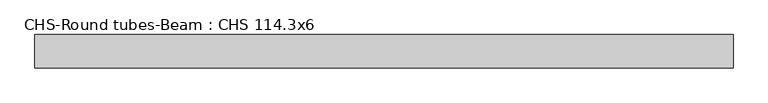
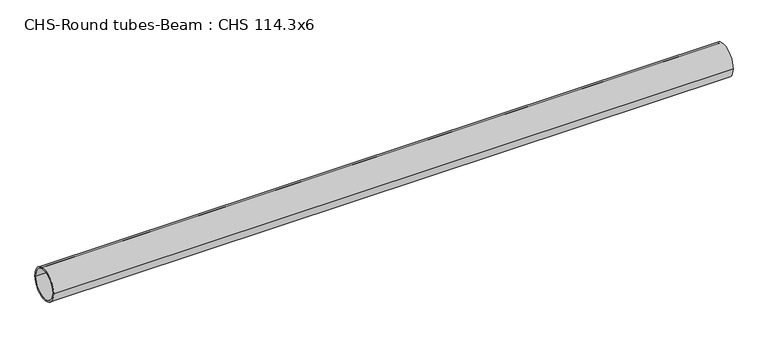
"""IFC4 building model written with IfcOpenShell, lengths in millimetres: beam geometry, CHS-Round tubes-Beam : CHS 114.3x6."""

import ifcopenshell
import ifcopenshell.guid

model = None  # the IFC model being written
_history = None  # IfcOwnerHistory: only IFC2X3 demands one
_inside = {}  # id of a spatial element -> (the spatial element, [elements in it])
_under = {}  # id of a project, library or spatial element -> (it, [spatial elements below it])
_declared = {}  # id of a project -> (the project, [libraries it declares])
_typed = {}  # id of a type object -> (the type object, [elements of that type])
_made_of = {}  # id of a material, layer set ... -> (it, [elements and type objects made of it])


def new_model(schema):
    """Start an empty IFC model of exactly this schema.

    Asked for "IFC4X3", IfcOpenShell would pick the latest addendum, in which some entities
    have other attributes; the version numbers below select the first issue.
    IFC2X3 requires an IfcOwnerHistory on every rooted entity: one is made here for all.
    """
    global model, _history
    if schema == "IFC4X3":
        model = ifcopenshell.file(schema_version=(4, 3, 0, 0))
    else:
        model = ifcopenshell.file(schema=schema)
    _inside.clear()
    _under.clear()
    _declared.clear()
    _typed.clear()
    _made_of.clear()
    _history = None
    if model.schema == "IFC2X3":
        org = make("IfcOrganization", Name="unknown")
        user = make(
            "IfcPersonAndOrganization",
            ThePerson=make("IfcPerson", FamilyName="unknown"),
            TheOrganization=org,
        )
        app = make(
            "IfcApplication",
            ApplicationDeveloper=org,
            Version="unknown",
            ApplicationFullName="unknown",
            ApplicationIdentifier="unknown",
        )
        _history = make(
            "IfcOwnerHistory",
            OwningUser=user,
            OwningApplication=app,
            ChangeAction="ADDED",
            CreationDate=0,
        )
    return model


def make(cls, **values):
    """One entity of the class cls with the attributes given. An attribute that is None is left unset."""
    return model.create_entity(
        cls, **{name: value for name, value in values.items() if value is not None}
    )


def rooted(cls, **values):
    """An entity with a GlobalId (a new one), such as an element, a storey or a relation."""
    return make(cls, GlobalId=ifcopenshell.guid.new(), OwnerHistory=_history, **values)


def si_unit(unit_type, name, prefix=None):
    """IfcSIUnit, for example si_unit("LENGTHUNIT", "METRE", prefix="MILLI")."""
    return make("IfcSIUnit", UnitType=unit_type, Prefix=prefix, Name=name)


def assignment(units):
    """IfcUnitAssignment: the units of a project."""
    return None if units is None else make("IfcUnitAssignment", Units=units)


def point(xyz):
    """IfcCartesianPoint."""
    return None if xyz is None else make("IfcCartesianPoint", Coordinates=xyz)


def direction(xyz):
    """IfcDirection."""
    return None if xyz is None else make("IfcDirection", DirectionRatios=xyz)


def frame(location, z_axis=None, x_axis=None):
    """IfcAxis2Placement3D, a coordinate frame: its origin and axes. An axis left out is left unset."""
    return make(
        "IfcAxis2Placement3D",
        Location=point(location),
        Axis=direction(z_axis),
        RefDirection=direction(x_axis),
    )


def frame_2d(location, x_axis=None):
    """IfcAxis2Placement2D, a coordinate frame in the plane: its origin and x axis."""
    return make(
        "IfcAxis2Placement2D", Location=point(location), RefDirection=direction(x_axis)
    )


def origin():
    """The frame at (0, 0, 0) with its axes left unset."""
    return frame((0.0, 0.0, 0.0))


def origin_2d():
    """The frame at (0, 0) in the plane with its x axis left unset."""
    return frame_2d((0.0, 0.0))


def place(relative_to, where):
    """IfcLocalPlacement: puts the frame where relative to a parent placement (None: the world)."""
    return make(
        "IfcLocalPlacement", PlacementRelTo=relative_to, RelativePlacement=where
    )


def context(
    kind, dimensions, precision=None, world=None, true_north=None, identifier=None
):
    """IfcGeometricRepresentationContext, for example the 3D "Model" context."""
    return make(
        "IfcGeometricRepresentationContext",
        ContextIdentifier=identifier,
        ContextType=kind,
        CoordinateSpaceDimension=dimensions,
        Precision=precision,
        WorldCoordinateSystem=world,
        TrueNorth=true_north,
    )


def project(units=None, contexts=None):
    """IfcProject with its units and contexts."""
    return rooted(
        "IfcProject",
        Name="project",
        RepresentationContexts=contexts,
        UnitsInContext=assignment(units),
    )


def spatial(cls, under=None, at=None, **own):
    """A site, building, storey or space (cls), placed at a placement, below another one or the project."""
    s = rooted(cls, ObjectPlacement=at, **own)
    if under is not None:
        _under.setdefault(under.id(), (under, []))[1].append(s)
    return s


def circle_curve(where, radius):
    """IfcCircle in the frame where."""
    return make("IfcCircle", Position=where, Radius=radius)


def trimmed(basis, trim1, trim2, sense, master):
    """IfcTrimmedCurve: the piece of a basis curve between two trims."""
    return make(
        "IfcTrimmedCurve",
        BasisCurve=basis,
        Trim1=trim1,
        Trim2=trim2,
        SenseAgreement=sense,
        MasterRepresentation=master,
    )


def segment(curve, same_sense, transition):
    """IfcCompositeCurveSegment."""
    return make(
        "IfcCompositeCurveSegment",
        Transition=transition,
        SameSense=same_sense,
        ParentCurve=curve,
    )


def composite_curve(segments, self_intersect=None):
    """IfcCompositeCurve: segments joined end to end."""
    return make("IfcCompositeCurve", Segments=segments, SelfIntersect=self_intersect)


def outline(outer, holes=None, kind="AREA"):
    """IfcArbitraryClosedProfileDef: a profile drawn as a closed curve; with holes, ...WithVoids."""
    if holes is None:
        return make("IfcArbitraryClosedProfileDef", ProfileType=kind, OuterCurve=outer)
    return make(
        "IfcArbitraryProfileDefWithVoids",
        ProfileType=kind,
        OuterCurve=outer,
        InnerCurves=holes,
    )


def extrude(swept, where, along, depth):
    """IfcExtrudedAreaSolid: the profile swept, set in the frame where, extruded along a direction by depth."""
    return make(
        "IfcExtrudedAreaSolid",
        SweptArea=swept,
        Position=where,
        ExtrudedDirection=direction(along),
        Depth=depth,
    )


def shape(context_of_items, identifier, shape_type, items):
    """IfcShapeRepresentation: the items that make up one representation, for example the "Body"."""
    return make(
        "IfcShapeRepresentation",
        ContextOfItems=context_of_items,
        RepresentationIdentifier=identifier,
        RepresentationType=shape_type,
        Items=items,
    )


def source(mapping_origin, context_of_items, identifier, shape_type, items):
    """IfcRepresentationMap: a shape defined once, which mapped items show again and again."""
    return make(
        "IfcRepresentationMap",
        MappingOrigin=mapping_origin,
        MappedRepresentation=shape(context_of_items, identifier, shape_type, items),
    )


def transform(
    local_origin,
    x_axis=None,
    y_axis=None,
    z_axis=None,
    scale=None,
    scale2=None,
    scale3=None,
    uniform=True,
):
    """IfcCartesianTransformationOperator3D, or its non-uniform kind. x_axis, y_axis, z_axis: its Axis1, 2, 3."""
    if uniform:
        return make(
            "IfcCartesianTransformationOperator3D",
            Axis1=direction(x_axis),
            Axis2=direction(y_axis),
            LocalOrigin=point(local_origin),
            Scale=scale,
            Axis3=direction(z_axis),
        )
    return make(
        "IfcCartesianTransformationOperator3DnonUniform",
        Axis1=direction(x_axis),
        Axis2=direction(y_axis),
        LocalOrigin=point(local_origin),
        Scale=scale,
        Axis3=direction(z_axis),
        Scale2=scale2,
        Scale3=scale3,
    )


def mapped(mapping_source, mapping_target):
    """IfcMappedItem: shows the shape of a source again, moved by a transform."""
    return make(
        "IfcMappedItem", MappingSource=mapping_source, MappingTarget=mapping_target
    )


def made_of(thing, what):
    """Note that an element or type object is made of a material, layer set ...; save() writes the relation."""
    if what is not None:
        _made_of.setdefault(what.id(), (what, []))[1].append(thing)
    return thing


def element(
    cls,
    number,
    at=None,
    inside=None,
    cuts=None,
    type_object=None,
    material=None,
    context=None,
    identifier="Body",
    shape_type=None,
    held_by="IfcProductDefinitionShape",
    body=None,
    shapes=None,
    **own,
):
    """One element of the class cls, such as IfcWall. Its Tag is "e" and its number.

    at: its placement. inside: the storey or other place that contains it. cuts: it is an
    opening in that element (IfcRelVoidsElement). A single representation is given by context,
    identifier, shape_type and body (its items); several are given by shapes. held_by: the class
    of the entity that holds the representations. save() writes the other relations.
    """
    e = rooted(cls, Tag="e%d" % number, ObjectPlacement=at, **own)
    if body is not None:
        shapes = [shape(context, identifier, shape_type, body)]
    if shapes is not None:
        e.Representation = make(held_by, Representations=shapes)
    if inside is not None:
        _inside.setdefault(inside.id(), (inside, []))[1].append(e)
    if cuts is not None:
        rooted(
            "IfcRelVoidsElement", RelatingBuildingElement=cuts, RelatedOpeningElement=e
        )
    if type_object is not None:
        _typed.setdefault(type_object.id(), (type_object, []))[1].append(e)
    return made_of(e, material)


def aggregate(whole, parts):
    """IfcRelAggregates: a whole, such as a stair, and the parts it consists of."""
    return rooted("IfcRelAggregates", RelatingObject=whole, RelatedObjects=parts)


def save(model, path):
    """Write the relations noted so far, then the file.

    IfcRelAggregates (storeys below a building ...), IfcRelContainedInSpatialStructure (elements
    in a storey), IfcRelDefinesByType, IfcRelAssociatesMaterial and IfcRelDeclares: one each for
    every whole, place, type object, material and project.
    """
    for whole, parts in _under.values():
        aggregate(whole, parts)
    for where, things in _inside.values():
        rooted(
            "IfcRelContainedInSpatialStructure",
            RelatedElements=things,
            RelatingStructure=where,
        )
    for kind, things in _typed.values():
        rooted("IfcRelDefinesByType", RelatedObjects=things, RelatingType=kind)
    for what, things in _made_of.values():
        rooted("IfcRelAssociatesMaterial", RelatedObjects=things, RelatingMaterial=what)
    for by, libraries in _declared.values():
        rooted("IfcRelDeclares", RelatingContext=by, RelatedDefinitions=libraries)
    model.write(path)


def chs_round_tubes_beam_chs_114_3x6_0238e8b7(model_context):
    return source(origin(), model_context, "Body", "SweptSolid", [
        extrude(outline(composite_curve([segment(trimmed(circle_curve(origin_2d(), 57.15), [point((57.15, 0.0))], [point((-57.15, 0.0))], False, "CARTESIAN"), True, "CONTINUOUS"), segment(trimmed(circle_curve(origin_2d(), 57.15), [point((-57.15, 0.0))], [point((57.15, 0.0))], False, "CARTESIAN"), True, "CONTINUOUS")], self_intersect=False), holes=[composite_curve([segment(trimmed(circle_curve(origin_2d(), 51.15), [point((51.15, 0.0))], [point((-51.15, 0.0))], True, "CARTESIAN"), True, "CONTINUOUS"), segment(trimmed(circle_curve(origin_2d(), 51.15), [point((-51.15, 0.0))], [point((51.15, 0.0))], True, "CARTESIAN"), True, "CONTINUOUS")], self_intersect=False)]), frame((-1203.1801368, 0.0, 0.0), z_axis=(1.0, 0.0, 0.0), x_axis=(0.0, 1.0, 0.0)), (0.0, 0.0, 1.0), 2402.4645428),
    ])


if __name__ == "__main__":
    model = new_model("IFC4")
    model_context = context("Model", 3, world=origin())
    ifc_project = project(units=[si_unit("LENGTHUNIT", "METRE", prefix="MILLI")], contexts=[model_context])
    site = spatial("IfcSite", under=ifc_project)
    building = spatial("IfcBuilding", under=site)
    placement = place(None, origin())
    chs_round_tubes_beam_chs_114_3x6_shape = chs_round_tubes_beam_chs_114_3x6_0238e8b7(model_context)
    element("IfcBeam", 1, ObjectType="CHS-Round tubes-Beam : CHS 114.3x6", at=placement, inside=building, context=model_context, shape_type="MappedRepresentation", body=[
        mapped(chs_round_tubes_beam_chs_114_3x6_shape, transform((0.0, 0.0, 0.0), x_axis=(1.0, 0.0, 0.0), y_axis=(0.0, 1.0, 0.0), z_axis=(0.0, 0.0, 1.0))),
    ])
    save(model, "model.ifc")
